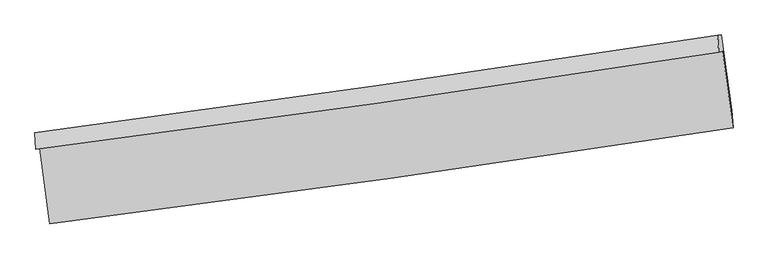
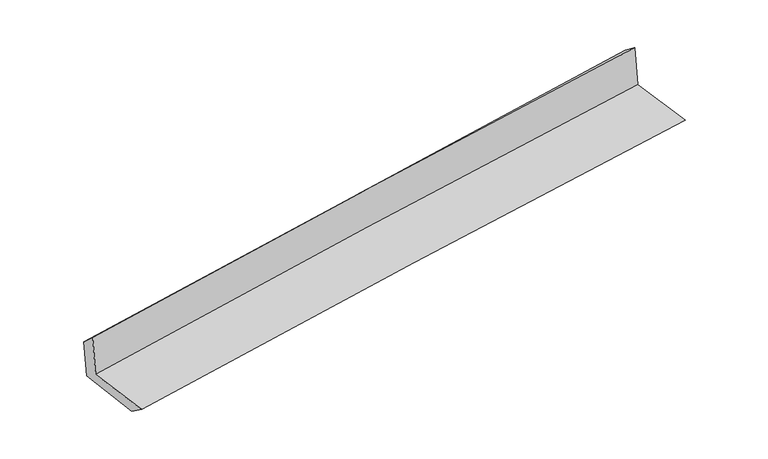
"""IFC4 building model written with IfcOpenShell, lengths in millimetres: proxy geometry."""

from ifc_helpers import new_model, si_unit, frame, origin, place, context, project, spatial, source, transform, mapped, element, save
from ifc_brep_helpers import plane_surface, spline_curve, spline_surface, advanced_brep


def generic_models_3bef8d35(model_context):
    return source(origin(), model_context, "Body", "AdvancedBrep", [
        advanced_brep(
        [(-2991.2358672, -1915.8593298, 1628.4693937), (-2904.6916417, -2574.6930761, 1622.6070316), (3042.5038067, -1739.3478753, 2114.8726858), (2950.9228779, -1070.9912638, 2120.512625), (-3024.4985662, -1925.3704793, 2040.7697945), (2917.6682334, -1080.5013383, 2532.8137004), (-3032.1114226, -1781.7755088, 1907.6243078), (2906.9224738, -932.69913, 2420.6165064), (-3001.2033814, -1779.7796675, 1535.1890158), (2939.5106578, -930.5926619, 2028.3117027), (-2916.2544776, -2416.3292719, 1513.6098536), (3030.8643587, -1587.2429716, 2006.3408447)],
        [
            (0, 1),
            (1, 2, spline_curve(3, [(-2904.6916417, -2574.6930761, 1622.6070316), (-1914.634639697, -2449.165560547, 1731.438491543), (-924.371289762, -2316.845918211, 1826.856054756), (1058.026585058, -2038.417535557, 1990.984139476), (2050.161717931, -1892.288777769, 2059.655127627), (3042.5038067, -1739.3478753, 2114.8726858)], [4, 2, 4], [0.0, 9.875713438552916, 19.76596898943842])),
            (2, 3),
            (3, 0, spline_curve(3, [(2950.9228779, -1070.9912638, 2120.512625), (1959.551249688, -1225.570105666, 2065.341773559), (968.321333507, -1373.311970978, 1996.71268391), (-1012.397832062, -1654.914569274, 1832.658726185), (-2001.887497344, -1788.795392557, 1737.273405085), (-2991.2358672, -1915.8593298, 1628.4693937)], [4, 2, 4], [0.0, 9.890255550885504, 19.76596898943842])),
            (4, 0),
            (3, 5),
            (5, 4, spline_curve(3, [(2917.6682334, -1080.5013383, 2532.8137004), (1926.563164835, -1235.003717244, 2474.31858667), (935.465757948, -1382.707469085, 2404.02853283), (-1045.256486038, -1664.310537821, 2239.979237434), (-2034.88134587, -1798.229833432, 2146.254656114), (-3024.4985662, -1925.3704793, 2040.7697945)], [4, 2, 4], [0.0, 9.887138670439569, 19.75973981144386])),
            (6, 4),
            (5, 7),
            (7, 6, spline_curve(3, [(2906.9224738, -932.69913, 2420.6165064), (1917.220826925, -1085.878731204, 2345.238063872), (927.086073875, -1233.272699573, 2264.764295528), (-1052.59316412, -1516.281157767, 2093.751923174), (-2042.136376883, -1651.91264895, 2003.228292013), (-3032.1114226, -1781.7755088, 1907.6243078)], [4, 2, 4], [0.0, 9.885976867582798, 19.75741791398422])),
            (8, 6),
            (7, 9),
            (9, 8, spline_curve(3, [(2939.5106578, -930.5926619, 2028.3117027), (1949.528633748, -1083.790819179, 1956.234771501), (959.113577493, -1231.203291327, 1879.068774454), (-1021.125708303, -1514.248625283, 1714.679590872), (-2010.94866505, -1649.898488108, 1627.47135918), (-3001.2033814, -1779.7796675, 1535.1890158)], [4, 2, 4], [0.0, 9.885037052283321, 19.755539665240327])),
            (10, 8),
            (9, 11),
            (11, 10, spline_curve(3, [(3030.8643587, -1587.2429716, 2006.3408447), (2040.125042853, -1740.336944566, 1934.209626794), (1048.79710046, -1886.019838484, 1857.049195789), (-933.577574433, -2162.360160701, 1692.790753348), (-1924.622577702, -2293.039366924, 1605.70752108), (-2916.2544776, -2416.3292719, 1513.6098536)], [4, 2, 4], [0.0, 9.887957280870182, 19.7613758286633])),
            (1, 10),
            (11, 2),
        ],
        [
            spline_surface(3, 3, [[(-2991.2358672, -1915.8593298, 1628.4693937), (-2001.887497212, -1788.795392463, 1737.273405125), (-1012.397831908, -1654.914569125, 1832.658726091), (968.321333353, -1373.311971127, 1996.712684004), (1959.551249778, -1225.570105824, 2065.341773465), (2950.9228779, -1070.9912638, 2120.512625)], [(-2962.387792051, -2135.470578552, 1626.515272977), (-1972.803211359, -2008.91878184, 1735.3284339), (-983.055651174, -1875.558352158, 1830.724502308), (998.223083886, -1595.013825974, 1994.80316917), (1989.754739137, -1447.809663151, 2063.446224846), (2981.449854171, -1293.776800961, 2118.632645249)], [(-2933.539716849, -2355.081827348, 1624.561152323), (-1943.718925454, -2229.042171261, 1733.383462744), (-953.713470416, -2096.20213513, 1828.79027852), (1028.124834445, -1816.715680759, 1992.893654329), (2019.958228485, -1670.049220494, 2061.550676278), (3011.976830429, -1516.562338139, 2116.752665551)], [(-2904.6916417, -2574.6930761, 1622.6070316), (-1914.634639601, -2449.165560638, 1731.43849152), (-924.371289682, -2316.845918163, 1826.856054737), (1058.026584978, -2038.417535605, 1990.984139494), (2050.161717845, -1892.288777821, 2059.655127659), (3042.5038067, -1739.3478753, 2114.8726858)]], [4, 4], [4, 2, 4], [0.0, 2.196424789948067], [0.0, 9.875713438552916, 19.76596898943842]),
            spline_surface(3, 3, [[(-3024.4985662, -1925.3704793, 2040.7697945), (-2034.881345728, -1798.229833329, 2146.254656257), (-1045.256486053, -1664.310537963, 2239.979237582), (935.465757963, -1382.707468942, 2404.028532682), (1926.563164827, -1235.003717332, 2474.3185867), (2917.6682334, -1080.5013383, 2532.8137004)], [(-3013.410999879, -1922.200096134, 1903.336327564), (-2023.883396235, -1795.085019707, 2009.927572544), (-1034.303601349, -1661.178548337, 2104.205733762), (946.417616416, -1379.575636324, 2268.256583134), (1937.559193119, -1231.859180163, 2337.992982311), (2928.753114875, -1077.331313467, 2395.380008623)], [(-3002.323433521, -1919.029712966, 1765.902860636), (-2012.885446705, -1791.940206084, 1873.600488838), (-1023.350716612, -1658.046558751, 1968.43222991), (957.369474901, -1376.443803745, 2132.484633553), (1948.555221485, -1228.714642993, 2201.667377854), (2939.837996425, -1074.161288633, 2257.946316777)], [(-2991.2358672, -1915.8593298, 1628.4693937), (-2001.887497212, -1788.795392463, 1737.273405125), (-1012.397831908, -1654.914569125, 1832.658726091), (968.321333353, -1373.311971127, 1996.712684004), (1959.551249778, -1225.570105824, 2065.341773465), (2950.9228779, -1070.9912638, 2120.512625)]], [4, 4], [4, 2, 4], [0.0, 1.3410409246445685], [0.0, 9.872601141004292, 19.75973981144386]),
            spline_surface(3, 3, [[(-3032.1114226, -1781.7755088, 1907.6243078), (-2042.136376833, -1651.912648965, 2003.228292046), (-1052.593164217, -1516.281157843, 2093.751923189), (927.086073972, -1233.272699497, 2264.764295513), (1917.22082677, -1085.878731057, 2345.238063889), (2906.9224738, -932.69913, 2420.6165064)], [(-3029.573803774, -1829.640498967, 1952.006136713), (-2039.718033105, -1700.685043753, 2050.903746795), (-1050.147604832, -1565.624284555, 2142.494361325), (929.879301966, -1283.084289317, 2311.185707908), (1920.334939453, -1135.587059822, 2388.26490481), (2910.504393664, -981.966532774, 2458.015571051)], [(-3027.036185026, -1877.505489133, 1996.387965587), (-2037.299689455, -1749.457438541, 2098.579201507), (-1047.702045438, -1614.967411252, 2191.236799446), (932.672529969, -1332.895879122, 2357.607120288), (1923.449052144, -1185.295388567, 2431.291745779), (2914.086313536, -1031.233935526, 2495.414635749)], [(-3024.4985662, -1925.3704793, 2040.7697945), (-2034.881345728, -1798.229833329, 2146.254656257), (-1045.256486053, -1664.310537963, 2239.979237582), (935.465757963, -1382.707468942, 2404.028532682), (1926.563164827, -1235.003717332, 2474.3185867), (2917.6682334, -1080.5013383, 2532.8137004)]], [4, 4], [4, 2, 4], [0.0, 0.6768253518752056], [0.0, 9.871441046401422, 19.75741791398422]),
            spline_surface(3, 3, [[(-3001.2033814, -1779.7796675, 1535.1890158), (-2010.948665, -1649.898488148, 1627.471359239), (-1021.125708166, -1514.248625188, 1714.679590999), (959.113577356, -1231.203291422, 1879.068774327), (1949.528633637, -1083.790819167, 1956.234771589), (2939.5106578, -930.5926619, 2028.3117027)], [(-3011.506061822, -1780.444947938, 1659.334113116), (-2021.344568966, -1650.569875092, 1752.723670157), (-1031.614860179, -1514.926136075, 1841.037035069), (948.437742898, -1231.893094116, 2007.633948062), (1938.759364709, -1084.486789775, 2085.902535706), (2928.647929828, -931.294817911, 2159.079970617)], [(-3021.808742178, -1781.110228362, 1783.479210484), (-2031.740472867, -1651.241262022, 1877.975981128), (-1042.104012203, -1515.603646956, 1967.394479119), (937.761908429, -1232.582896803, 2136.199121777), (1927.990095697, -1085.182760449, 2215.570299772), (2917.785201772, -931.996973989, 2289.848238483)], [(-3032.1114226, -1781.7755088, 1907.6243078), (-2042.136376833, -1651.912648965, 2003.228292046), (-1052.593164217, -1516.281157843, 2093.751923189), (927.086073972, -1233.272699497, 2264.764295513), (1917.22082677, -1085.878731057, 2345.238063889), (2906.9224738, -932.69913, 2420.6165064)]], [4, 4], [4, 2, 4], [0.0, 1.2588909268511275], [0.0, 9.870502612957006, 19.755539665240327]),
            spline_surface(3, 3, [[(-2916.2544776, -2416.3292719, 1513.6098536), (-1924.622577767, -2293.03936691, 1605.707521047), (-933.577574543, -2162.3601608, 1692.790753462), (1048.79710057, -1886.019838385, 1857.049195675), (2040.125042817, -1740.336944425, 1934.209626955), (3030.8643587, -1587.2429716, 2006.3408447)], [(-2944.570778866, -2204.146070417, 1520.802907684), (-1953.397940177, -2078.659073973, 1612.962133795), (-962.760285738, -1946.322982272, 1700.087032619), (1018.902592845, -1667.747656073, 1864.389055204), (2009.926239752, -1521.488236013, 1941.55134182), (3000.413125062, -1368.35953504, 2013.664464021)], [(-2972.887080134, -1991.962868983, 1527.995961716), (-1982.17330259, -1864.278781086, 1620.216746491), (-991.94299697, -1730.285803716, 1707.383311842), (989.008085082, -1449.475473734, 1871.728914798), (1979.727436701, -1302.63952758, 1948.893056724), (2969.961891438, -1149.47609846, 2020.988083379)], [(-3001.2033814, -1779.7796675, 1535.1890158), (-2010.948665, -1649.898488148, 1627.471359239), (-1021.125708166, -1514.248625188, 1714.679590999), (959.113577356, -1231.203291422, 1879.068774327), (1949.528633637, -1083.790819167, 1956.234771589), (2939.5106578, -930.5926619, 2028.3117027)]], [4, 4], [4, 2, 4], [0.0, 2.1582512341270634], [0.0, 9.873418547793118, 19.7613758286633]),
            spline_surface(3, 3, [[(-2904.6916417, -2574.6930761, 1622.6070316), (-1914.634639601, -2449.165560638, 1731.43849152), (-924.371289682, -2316.845918163, 1826.856054737), (1058.026584978, -2038.417535605, 1990.984139494), (2050.161717845, -1892.288777821, 2059.655127659), (3042.5038067, -1739.3478753, 2114.8726858)], [(-2908.545920308, -2521.905141393, 1586.274638946), (-1917.963952298, -2397.123496088, 1689.528168042), (-927.440051296, -2265.350665686, 1782.167620976), (1054.950090182, -1987.618303175, 1946.339158218), (2046.816159502, -1841.638166703, 2017.839960764), (3038.6239907, -1688.646240748, 2078.695405439)], [(-2912.400198992, -2469.117206607, 1549.942246254), (-1921.29326507, -2345.081431459, 1647.617844525), (-930.508812929, -2213.855413278, 1737.479187223), (1051.873595367, -1936.819070815, 1901.694176951), (2043.47060116, -1790.987555543, 1976.02479385), (3034.7441747, -1637.944606152, 2042.518125061)], [(-2916.2544776, -2416.3292719, 1513.6098536), (-1924.622577767, -2293.03936691, 1605.707521047), (-933.577574543, -2162.3601608, 1692.790753462), (1048.79710057, -1886.019838385, 1857.049195675), (2040.125042817, -1740.336944425, 1934.209626955), (3030.8643587, -1587.2429716, 2006.3408447)]], [4, 4], [4, 2, 4], [0.0, 0.6690409328831076], [0.0, 9.877459549023492, 19.769463781549216]),
            plane_surface(frame((2964.732068, -1223.5625401, 2203.9113442), z_axis=(0.9874383130919109, 0.13460452656159624, 0.08274780521155815), x_axis=(-0.08278221876487729, -0.005350960887568011, 0.9965532958522307))),
            plane_surface(frame((-2978.3325594, -2065.6345556, 1708.0448995), z_axis=(-0.9881808215574015, -0.12907129889425142, -0.08269984103908726), x_axis=(-0.130235793696914, 0.9914438012939164, 0.008821956472588243))),
        ],
        [
            (0, [[1, 2, 3, 4]]),
            (1, [[5, -4, 6, 7]]),
            (2, [[8, -7, 9, 10]]),
            (3, [[11, -10, 12, 13]]),
            (4, [[14, -13, 15, 16]]),
            (5, [[17, -16, 18, -2]]),
            (6, [[-12, -9, -6, -3, -18, -15]]),
            (7, [[-1, -5, -8, -11, -14, -17]]),
        ],
    ),
    ])


if __name__ == "__main__":
    model = new_model("IFC4")
    model_context = context("Model", 3, world=origin())
    ifc_project = project(units=[si_unit("LENGTHUNIT", "METRE", prefix="MILLI")], contexts=[model_context])
    site = spatial("IfcSite", under=ifc_project)
    building = spatial("IfcBuilding", under=site)
    placement = place(None, origin())
    generic_models_shape = generic_models_3bef8d35(model_context)
    element("IfcBuildingElementProxy", 1, Name="Generic Models", at=placement, inside=building, context=model_context, shape_type="MappedRepresentation", body=[
        mapped(generic_models_shape, transform((0.0, 0.0, 0.0), x_axis=(1.0, 0.0, 0.0), y_axis=(0.0, 1.0, 0.0), z_axis=(0.0, 0.0, 1.0))),
    ])
    save(model, "model.ifc")
